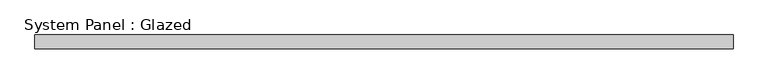
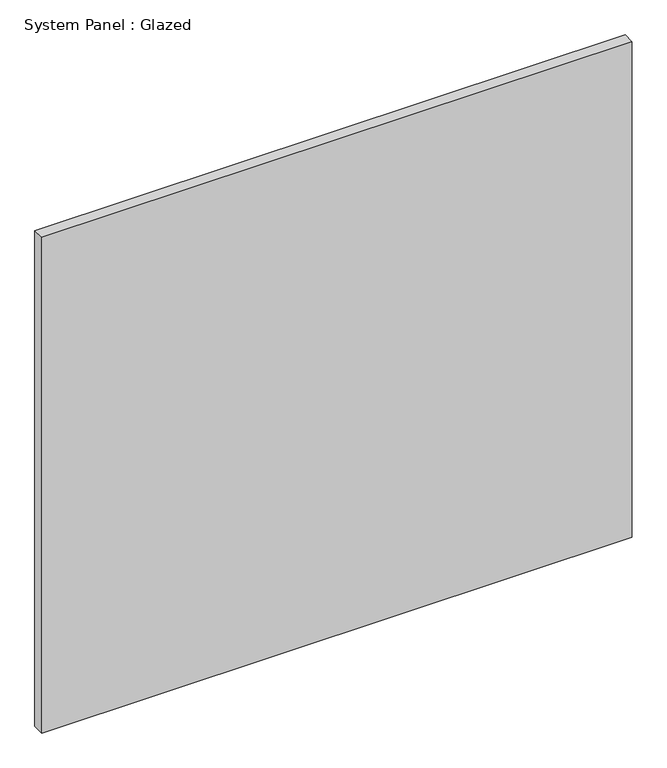
"""IFC4 building model written with IfcOpenShell, lengths in millimetres: plate geometry, System Panel : Glazed."""

from ifc_helpers import new_model, si_unit, origin, origin_with_axes, place, context, project, spatial, polyline, outline, extrude, source, transform, mapped, element, save


def system_panel_glazed_e4c8e410(model_context):
    return source(origin(), model_context, "Body", "SweptSolid", [
        extrude(outline(polyline([(633.4125, 19.05), (-633.4125, 19.05), (-633.4125, 44.45), (633.4125, 44.45), (633.4125, 19.05)])), origin_with_axes(), (0.0, 0.0, 1.0), 1123.95),
    ])


if __name__ == "__main__":
    model = new_model("IFC4")
    model_context = context("Model", 3, world=origin())
    ifc_project = project(units=[si_unit("LENGTHUNIT", "METRE", prefix="MILLI")], contexts=[model_context])
    site = spatial("IfcSite", under=ifc_project)
    building = spatial("IfcBuilding", under=site)
    placement = place(None, origin())
    system_panel_glazed_shape = system_panel_glazed_e4c8e410(model_context)
    element("IfcPlate", 1, ObjectType="System Panel : Glazed", at=placement, inside=building, context=model_context, shape_type="MappedRepresentation", body=[
        mapped(system_panel_glazed_shape, transform((0.0, 0.0, 0.0), x_axis=(1.0, 0.0, 0.0), y_axis=(0.0, 1.0, 0.0), z_axis=(0.0, 0.0, 1.0))),
    ])
    save(model, "model.ifc")
